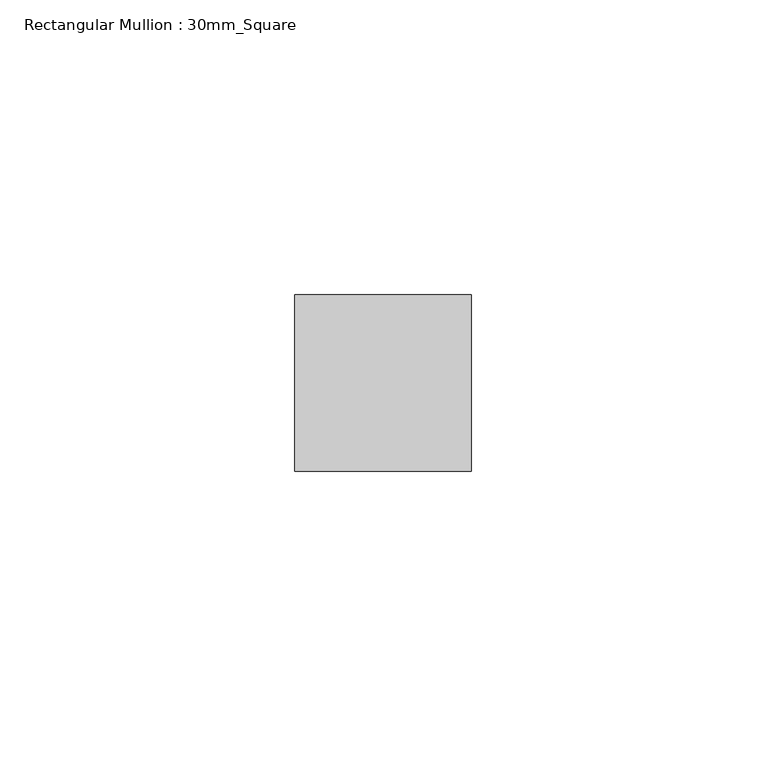
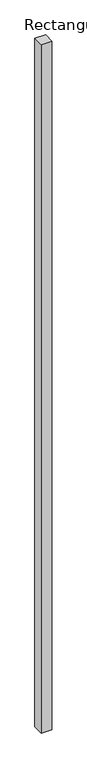
"""IFC4 building model written with IfcOpenShell, lengths in millimetres: member geometry, Rectangular Mullion : 30mm_Square."""

from ifc_helpers import new_model, si_unit, frame, origin, place, context, project, spatial, polyline, outline, extrude, source, transform, mapped, element, save


def rectangular_mullion_30mm_square_36abf0b9(model_context):
    return source(origin(), model_context, "Body", "SweptSolid", [
        extrude(outline(polyline([(15.0, 15.0), (15.0, -15.0), (-15.0, -15.0), (-15.0, 15.0), (15.0, 15.0)])), frame((0.0, 0.0, -2040.0), z_axis=(0.0, 0.0, 1.0), x_axis=(1.0, 0.0, 0.0)), (0.0, 0.0, 1.0), 2040.0),
    ])


if __name__ == "__main__":
    model = new_model("IFC4")
    model_context = context("Model", 3, world=origin())
    ifc_project = project(units=[si_unit("LENGTHUNIT", "METRE", prefix="MILLI")], contexts=[model_context])
    site = spatial("IfcSite", under=ifc_project)
    building = spatial("IfcBuilding", under=site)
    placement = place(None, origin())
    rectangular_mullion_30mm_square_shape = rectangular_mullion_30mm_square_36abf0b9(model_context)
    element("IfcMember", 1, ObjectType="Rectangular Mullion : 30mm_Square", at=placement, inside=building, context=model_context, shape_type="MappedRepresentation", body=[
        mapped(rectangular_mullion_30mm_square_shape, transform((0.0, 0.0, 0.0), x_axis=(1.0, 0.0, 0.0), y_axis=(0.0, 1.0, 0.0), z_axis=(0.0, 0.0, 1.0))),
    ])
    save(model, "model.ifc")
